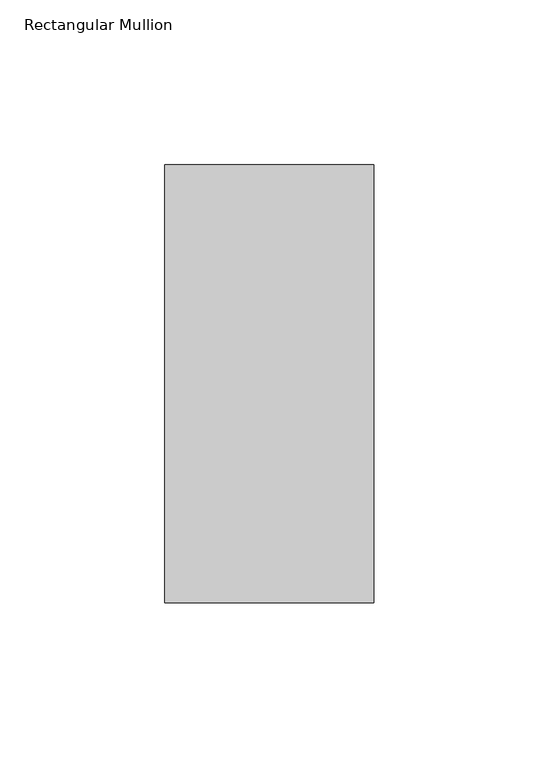
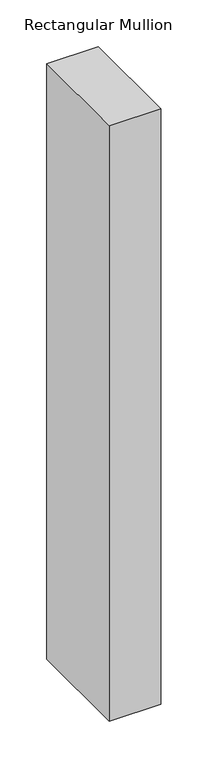
"""IFC4 building model written with IfcOpenShell, lengths in millimetres: member geometry, Rectangular Mullion."""

from ifc_helpers import new_model, si_unit, frame, origin, place, context, project, spatial, polyline, outline, extrude, source, transform, mapped, element, save


def rectangular_mullion_cc33382c(model_context):
    return source(origin(), model_context, "Body", "SweptSolid", [
        extrude(outline(polyline([(-31.75, 190.0936), (31.75, 190.0936), (31.75, 57.15), (-31.75, 57.15), (-31.75, 190.0936)])), frame((0.0, 0.0, -774.7000005), z_axis=(0.0, 0.0, 1.0), x_axis=(1.0, 0.0, 0.0)), (0.0, 0.0, 1.0), 774.7000005),
    ])


if __name__ == "__main__":
    model = new_model("IFC4")
    model_context = context("Model", 3, world=origin())
    ifc_project = project(units=[si_unit("LENGTHUNIT", "METRE", prefix="MILLI")], contexts=[model_context])
    site = spatial("IfcSite", under=ifc_project)
    building = spatial("IfcBuilding", under=site)
    placement = place(None, origin())
    rectangular_mullion_shape = rectangular_mullion_cc33382c(model_context)
    element("IfcMember", 1, ObjectType="Rectangular Mullion", at=placement, inside=building, context=model_context, shape_type="MappedRepresentation", body=[
        mapped(rectangular_mullion_shape, transform((0.0, 0.0, 0.0), x_axis=(1.0, 0.0, 0.0), y_axis=(0.0, 1.0, 0.0), z_axis=(0.0, 0.0, 1.0))),
    ])
    save(model, "model.ifc")
